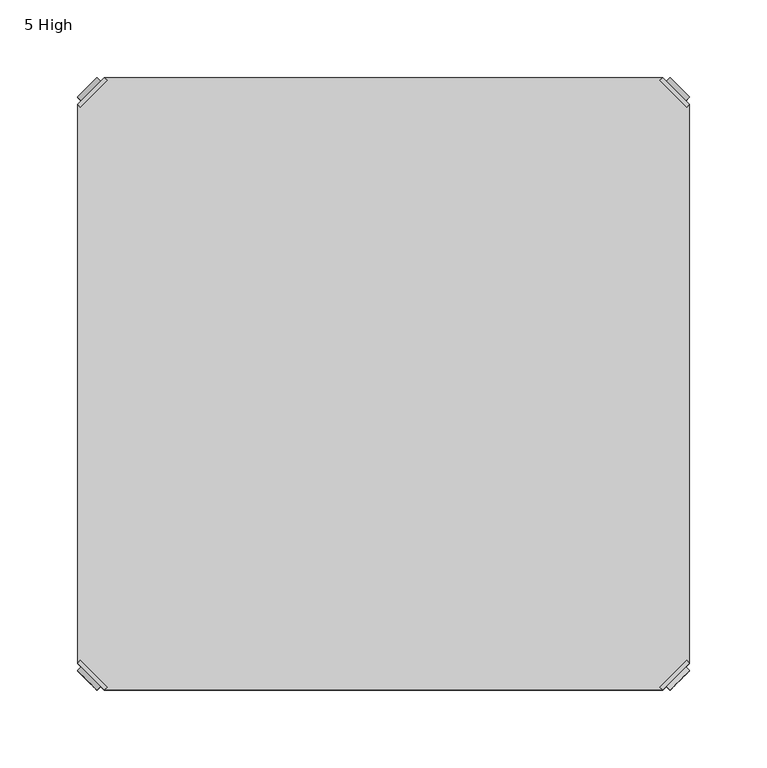
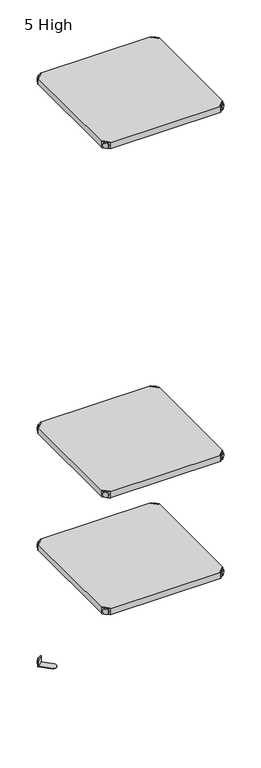
"""IFC4 building model written with IfcOpenShell, lengths in millimetres: furniture geometry, 5 High."""

from ifc_helpers import new_model, si_unit, frame, origin, place, context, project, spatial, polyline, circle_curve, outline, extrude, source, transform, mapped, element, save
from ifc_brep_helpers import plane_surface, cylinder_surface, advanced_brep


def furniture_5_high_99344eae(model_context):
    return source(origin(), model_context, "Body", "SolidModel", [
        advanced_brep(
        [(2.54, 380.2870969, 923.29), (4.3360512, 378.4910456, 923.29), (21.5589544, 395.7139488, 923.29), (19.7629031, 397.51, 923.29), (19.7629031, 397.51, 901.954), (2.54, 380.2870969, 901.954), (4.8652723, 382.6123691, 913.13), (17.4376309, 395.1847277, 913.13), (30.2920522, 352.5350447, 902.97), (47.5149553, 369.7579478, 902.97), (21.5589544, 395.7139488, 902.97), (4.3360512, 378.4910456, 902.97), (30.2920522, 352.5350447, 901.954), (47.5149553, 369.7579478, 901.954), (15.1227513, 397.4996073, 913.13), (2.5503927, 384.9272487, 913.13)],
        [
            (0, 1),
            (1, 2),
            (2, 3),
            (3, 0),
            (3, 4),
            (4, 5),
            (5, 0),
            (6, 7, circle_curve(frame((11.1514516, 388.8985484, 913.13), z_axis=(0.7071067811865446, -0.7071067811865505, 0.0), x_axis=(-0.7071067811865505, -0.7071067811865446, 0.0)), 8.89)),
            (7, 6, circle_curve(frame((11.1514516, 388.8985484, 913.13), z_axis=(0.7071067811865446, -0.7071067811865505, 0.0), x_axis=(-0.7071067811865505, -0.7071067811865446, 0.0)), 8.89)),
            (8, 9, circle_curve(frame((38.9035037, 361.1464963, 902.97), z_axis=(0.0, 0.0, 1.0), x_axis=(1.0, 0.0, 0.0)), 12.1784316)),
            (9, 10),
            (10, 11),
            (11, 8),
            (12, 5),
            (4, 13),
            (13, 12, circle_curve(frame((38.9035037, 361.1464963, 901.954), z_axis=(0.0, 0.0, -1.0), x_axis=(1.0, 0.0, 0.0)), 12.1784316)),
            (14, 15, circle_curve(frame((8.836572, 391.213428, 913.13), z_axis=(-0.7071067811865446, 0.7071067811865505, 0.0), x_axis=(-0.7071067811865505, -0.7071067811865446, 0.0)), 8.89)),
            (15, 14, circle_curve(frame((8.836572, 391.213428, 913.13), z_axis=(-0.7071067811865446, 0.7071067811865505, 0.0), x_axis=(-0.7071067811865505, -0.7071067811865446, 0.0)), 8.89)),
            (14, 7),
            (6, 15),
            (1, 11),
            (10, 2),
            (8, 12),
            (13, 9),
        ],
        [
            plane_surface(frame((-19.6579872, 402.485084, 923.29), z_axis=(0.0, 0.0, 1.0000000000000002), x_axis=(0.7071067811865436, -0.7071067811865516, 0.0))),
            plane_surface(frame((19.7629031, 397.51, 923.29), z_axis=(-0.7071067811865447, 0.7071067811865503, 0.0), x_axis=(0.0, 0.0, -1.0))),
            plane_surface(frame((51.0819353, 361.1464963, 902.97), z_axis=(0.0, 0.0, 1.0), x_axis=(0.0, 1.0, 0.0))),
            plane_surface(frame((51.0819353, 361.1464963, 901.954), z_axis=(0.0, 0.0, -1.0), x_axis=(0.0, -1.0, 0.0))),
            plane_surface(frame((2.5503927, 384.9272487, 913.13), z_axis=(-0.7071067811865446, 0.7071067811865505, 0.0), x_axis=(0.0, 0.0, 1.0))),
            cylinder_surface(frame((11.1514516, 388.8985484, 913.13), z_axis=(-0.7071067811865446, 0.7071067811865505, 0.0), x_axis=(-0.7071067811865505, -0.7071067811865446, 0.0)), 8.89),
            plane_surface(frame((4.3360512, 378.4910456, 923.29), z_axis=(0.7071067811865447, -0.7071067811865503, 0.0), x_axis=(0.0, 0.0, -1.0))),
            cylinder_surface(frame((38.9035037, 361.1464963, 901.954), z_axis=(0.0, 0.0, 1.0), x_axis=(1.0, 0.0, 0.0)), 12.1784316),
            plane_surface(frame((2.54, 380.2870969, 923.29), z_axis=(-0.7071067811865516, -0.7071067811865436, 0.0), x_axis=(0.0, 0.0, -1.0))),
            plane_surface(frame((21.5589544, 395.7139488, 923.29), z_axis=(0.7071067811865513, 0.7071067811865437, 0.0), x_axis=(0.0, 0.0, -1.0))),
        ],
        [
            (0, [[1, 2, 3, 4]]),
            (1, [[-4, 5, 6, 7], [8, 9]]),
            (2, [[10, 11, 12, 13]]),
            (3, [[14, -6, 15, 16]]),
            (4, [[17, 18]]),
            (5, [[-17, 19, -8, 20]]),
            (5, [[-18, -20, -9, -19]]),
            (6, [[-2, 21, -12, 22]]),
            (7, [[-10, 23, -16, 24]]),
            (8, [[-1, -7, -14, -23, -13, -21]]),
            (9, [[-3, -22, -11, -24, -15, -5]]),
        ],
    ),
        advanced_brep(
        [(397.51, 380.2870969, 923.29), (380.2870969, 397.51, 923.29), (378.4910456, 395.7139488, 923.29), (395.7139488, 378.4910456, 923.29), (397.51, 380.2870969, 901.954), (380.2870969, 397.51, 901.954), (395.1847277, 382.6123691, 913.13), (382.6123691, 395.1847277, 913.13), (369.7579478, 352.5350447, 902.97), (395.7139488, 378.4910456, 902.97), (378.4910456, 395.7139488, 902.97), (352.5350447, 369.7579478, 902.97), (369.7579478, 352.5350447, 901.954), (352.5350447, 369.7579478, 901.954), (384.9272487, 397.4996073, 913.13), (397.4996073, 384.9272487, 913.13)],
        [
            (0, 1),
            (1, 2),
            (2, 3),
            (3, 0),
            (0, 4),
            (4, 5),
            (5, 1),
            (6, 7, circle_curve(frame((388.8985484, 388.8985484, 913.13), z_axis=(-0.7071067811865446, -0.7071067811865505, 0.0), x_axis=(0.7071067811865505, -0.7071067811865446, 0.0)), 8.89)),
            (7, 6, circle_curve(frame((388.8985484, 388.8985484, 913.13), z_axis=(-0.7071067811865446, -0.7071067811865505, 0.0), x_axis=(0.7071067811865505, -0.7071067811865446, 0.0)), 8.89)),
            (8, 9),
            (9, 10),
            (10, 11),
            (11, 8, circle_curve(frame((361.1464963, 361.1464963, 902.97), z_axis=(0.0, 0.0, 1.0), x_axis=(-1.0, 0.0, 0.0)), 12.1784316)),
            (12, 13, circle_curve(frame((361.1464963, 361.1464963, 901.954), z_axis=(0.0, 0.0, -1.0), x_axis=(-1.0, 0.0, 0.0)), 12.1784316)),
            (13, 5),
            (4, 12),
            (14, 15, circle_curve(frame((391.213428, 391.213428, 913.13), z_axis=(0.7071067811865446, 0.7071067811865505, 0.0), x_axis=(0.7071067811865505, -0.7071067811865446, 0.0)), 8.89)),
            (15, 14, circle_curve(frame((391.213428, 391.213428, 913.13), z_axis=(0.7071067811865446, 0.7071067811865505, 0.0), x_axis=(0.7071067811865505, -0.7071067811865446, 0.0)), 8.89)),
            (15, 6),
            (7, 14),
            (2, 10),
            (9, 3),
            (11, 13),
            (12, 8),
        ],
        [
            plane_surface(frame((419.7079872, 402.485084, 923.29), z_axis=(0.0, 0.0, 1.0000000000000002), x_axis=(-0.7071067811865436, -0.7071067811865516, 0.0))),
            plane_surface(frame((380.2870969, 397.51, 923.29), z_axis=(0.7071067811865447, 0.7071067811865503, 0.0), x_axis=(0.0, 0.0, -1.0))),
            plane_surface(frame((348.9680647, 361.1464963, 902.97), z_axis=(0.0, 0.0, 1.0), x_axis=(0.0, 1.0, 0.0))),
            plane_surface(frame((348.9680647, 361.1464963, 901.954), z_axis=(0.0, 0.0, -1.0), x_axis=(0.0, -1.0, 0.0))),
            plane_surface(frame((397.4996073, 384.9272487, 913.13), z_axis=(0.7071067811865446, 0.7071067811865505, 0.0), x_axis=(0.0, 0.0, 1.0))),
            cylinder_surface(frame((388.8985484, 388.8985484, 913.13), z_axis=(0.7071067811865446, 0.7071067811865505, 0.0), x_axis=(0.7071067811865505, -0.7071067811865446, 0.0)), 8.89),
            plane_surface(frame((395.7139488, 378.4910456, 923.29), z_axis=(-0.7071067811865447, -0.7071067811865503, 0.0), x_axis=(0.0, 0.0, -1.0))),
            cylinder_surface(frame((361.1464963, 361.1464963, 901.954), z_axis=(0.0, 0.0, 1.0), x_axis=(-1.0, 0.0, 0.0)), 12.1784316),
            plane_surface(frame((397.51, 380.2870969, 923.29), z_axis=(0.7071067811865516, -0.7071067811865436, 0.0), x_axis=(0.0, 0.0, -1.0))),
            plane_surface(frame((378.4910456, 395.7139488, 923.29), z_axis=(-0.7071067811865513, 0.7071067811865437, 0.0), x_axis=(0.0, 0.0, -1.0))),
        ],
        [
            (0, [[1, 2, 3, 4]]),
            (1, [[5, 6, 7, -1], [8, 9]]),
            (2, [[10, 11, 12, 13]]),
            (3, [[14, 15, -6, 16]]),
            (4, [[17, 18]]),
            (5, [[19, -9, 20, -18]]),
            (5, [[-20, -8, -19, -17]]),
            (6, [[21, -11, 22, -3]]),
            (7, [[23, -14, 24, -13]]),
            (8, [[-22, -10, -24, -16, -5, -4]]),
            (9, [[-7, -15, -23, -12, -21, -2]]),
        ],
    ),
        advanced_brep(
        [(397.51, 19.7629031, 923.29), (395.7139488, 21.5589544, 923.29), (378.4910456, 4.3360512, 923.29), (380.2870969, 2.54, 923.29), (380.2870969, 2.54, 901.954), (397.51, 19.7629031, 901.954), (395.1847277, 17.4376309, 913.13), (382.6123691, 4.8652723, 913.13), (369.7579478, 47.5149553, 902.97), (352.5350447, 30.2920522, 902.97), (378.4910456, 4.3360512, 902.97), (395.7139488, 21.5589544, 902.97), (369.7579478, 47.5149553, 901.954), (352.5350447, 30.2920522, 901.954), (384.9272487, 2.5503927, 913.13), (397.4996073, 15.1227513, 913.13)],
        [
            (0, 1),
            (1, 2),
            (2, 3),
            (3, 0),
            (3, 4),
            (4, 5),
            (5, 0),
            (6, 7, circle_curve(frame((388.8985484, 11.1514516, 913.13), z_axis=(-0.7071067811865469, 0.7071067811865481, 0.0), x_axis=(0.7071067811865481, 0.7071067811865469, 0.0)), 8.89)),
            (7, 6, circle_curve(frame((388.8985484, 11.1514516, 913.13), z_axis=(-0.7071067811865469, 0.7071067811865481, 0.0), x_axis=(0.7071067811865481, 0.7071067811865469, 0.0)), 8.89)),
            (8, 9, circle_curve(frame((361.1464963, 38.9035037, 902.97), z_axis=(0.0, 0.0, 1.0), x_axis=(-1.0, 0.0, 0.0)), 12.1784316)),
            (9, 10),
            (10, 11),
            (11, 8),
            (12, 5),
            (4, 13),
            (13, 12, circle_curve(frame((361.1464963, 38.9035037, 901.954), z_axis=(0.0, 0.0, -1.0), x_axis=(-1.0, 0.0, 0.0)), 12.1784316)),
            (14, 15, circle_curve(frame((391.213428, 8.836572, 913.13), z_axis=(0.7071067811865469, -0.7071067811865481, 0.0), x_axis=(0.7071067811865481, 0.7071067811865469, 0.0)), 8.89)),
            (15, 14, circle_curve(frame((391.213428, 8.836572, 913.13), z_axis=(0.7071067811865469, -0.7071067811865481, 0.0), x_axis=(0.7071067811865481, 0.7071067811865469, 0.0)), 8.89)),
            (14, 7),
            (6, 15),
            (1, 11),
            (10, 2),
            (8, 12),
            (13, 9),
        ],
        [
            plane_surface(frame((419.7079872, -2.435084, 923.29), z_axis=(0.0, 0.0, 1.0000000000000002), x_axis=(-0.7071067811865459, 0.7071067811865492, 0.0))),
            plane_surface(frame((380.2870969, 2.54, 923.29), z_axis=(0.707106781186547, -0.707106781186548, 0.0), x_axis=(0.0, 0.0, -1.0))),
            plane_surface(frame((348.9680647, 38.9035037, 902.97), z_axis=(0.0, 0.0, 1.0), x_axis=(0.0, -1.0, 0.0))),
            plane_surface(frame((348.9680647, 38.9035037, 901.954), z_axis=(0.0, 0.0, -1.0), x_axis=(0.0, 1.0, 0.0))),
            plane_surface(frame((397.4996073, 15.1227513, 913.13), z_axis=(0.7071067811865469, -0.7071067811865481, 0.0), x_axis=(0.0, 0.0, 1.0))),
            cylinder_surface(frame((388.8985484, 11.1514516, 913.13), z_axis=(0.7071067811865469, -0.7071067811865481, 0.0), x_axis=(0.7071067811865481, 0.7071067811865469, 0.0)), 8.89),
            plane_surface(frame((395.7139488, 21.5589544, 923.29), z_axis=(-0.707106781186547, 0.707106781186548, 0.0), x_axis=(0.0, 0.0, -1.0))),
            cylinder_surface(frame((361.1464963, 38.9035037, 901.954), z_axis=(0.0, 0.0, 1.0), x_axis=(-1.0, 0.0, 0.0)), 12.1784316),
            plane_surface(frame((397.51, 19.7629031, 923.29), z_axis=(0.7071067811865492, 0.7071067811865459, 0.0), x_axis=(0.0, 0.0, -1.0))),
            plane_surface(frame((378.4910456, 4.3360512, 923.29), z_axis=(-0.707106781186549, -0.707106781186546, 0.0), x_axis=(0.0, 0.0, -1.0))),
        ],
        [
            (0, [[1, 2, 3, 4]]),
            (1, [[-4, 5, 6, 7], [8, 9]]),
            (2, [[10, 11, 12, 13]]),
            (3, [[14, -6, 15, 16]]),
            (4, [[17, 18]]),
            (5, [[-17, 19, -8, 20]]),
            (5, [[-18, -20, -9, -19]]),
            (6, [[-2, 21, -12, 22]]),
            (7, [[-10, 23, -16, 24]]),
            (8, [[-1, -7, -14, -23, -13, -21]]),
            (9, [[-3, -22, -11, -24, -15, -5]]),
        ],
    ),
        advanced_brep(
        [(2.54, 19.7629031, 923.29), (19.7629031, 2.54, 923.29), (21.5589544, 4.3360512, 923.29), (4.3360512, 21.5589544, 923.29), (2.54, 19.7629031, 901.954), (19.7629031, 2.54, 901.954), (4.8652723, 17.4376309, 913.13), (17.4376309, 4.8652723, 913.13), (30.2920522, 47.5149553, 902.97), (4.3360512, 21.5589544, 902.97), (21.5589544, 4.3360512, 902.97), (47.5149553, 30.2920522, 902.97), (30.2920522, 47.5149553, 901.954), (47.5149553, 30.2920522, 901.954), (15.1227513, 2.5503927, 913.13), (2.5503927, 15.1227513, 913.13)],
        [
            (0, 1),
            (1, 2),
            (2, 3),
            (3, 0),
            (0, 4),
            (4, 5),
            (5, 1),
            (6, 7, circle_curve(frame((11.1514516, 11.1514516, 913.13), z_axis=(0.7071067811865469, 0.7071067811865481, 0.0), x_axis=(-0.7071067811865481, 0.7071067811865469, 0.0)), 8.89)),
            (7, 6, circle_curve(frame((11.1514516, 11.1514516, 913.13), z_axis=(0.7071067811865469, 0.7071067811865481, 0.0), x_axis=(-0.7071067811865481, 0.7071067811865469, 0.0)), 8.89)),
            (8, 9),
            (9, 10),
            (10, 11),
            (11, 8, circle_curve(frame((38.9035037, 38.9035037, 902.97), z_axis=(0.0, 0.0, 1.0), x_axis=(1.0, 0.0, 0.0)), 12.1784316)),
            (12, 13, circle_curve(frame((38.9035037, 38.9035037, 901.954), z_axis=(0.0, 0.0, -1.0), x_axis=(1.0, 0.0, 0.0)), 12.1784316)),
            (13, 5),
            (4, 12),
            (14, 15, circle_curve(frame((8.836572, 8.836572, 913.13), z_axis=(-0.7071067811865469, -0.7071067811865481, 0.0), x_axis=(-0.7071067811865481, 0.7071067811865469, 0.0)), 8.89)),
            (15, 14, circle_curve(frame((8.836572, 8.836572, 913.13), z_axis=(-0.7071067811865469, -0.7071067811865481, 0.0), x_axis=(-0.7071067811865481, 0.7071067811865469, 0.0)), 8.89)),
            (15, 6),
            (7, 14),
            (2, 10),
            (9, 3),
            (11, 13),
            (12, 8),
        ],
        [
            plane_surface(frame((-19.6579872, -2.435084, 923.29), z_axis=(0.0, 0.0, 1.0000000000000002), x_axis=(0.7071067811865459, 0.7071067811865492, 0.0))),
            plane_surface(frame((19.7629031, 2.54, 923.29), z_axis=(-0.707106781186547, -0.707106781186548, 0.0), x_axis=(0.0, 0.0, -1.0))),
            plane_surface(frame((51.0819353, 38.9035037, 902.97), z_axis=(0.0, 0.0, 1.0), x_axis=(0.0, -1.0, 0.0))),
            plane_surface(frame((51.0819353, 38.9035037, 901.954), z_axis=(0.0, 0.0, -1.0), x_axis=(0.0, 1.0, 0.0))),
            plane_surface(frame((2.5503927, 15.1227513, 913.13), z_axis=(-0.7071067811865469, -0.7071067811865481, 0.0), x_axis=(0.0, 0.0, 1.0))),
            cylinder_surface(frame((11.1514516, 11.1514516, 913.13), z_axis=(-0.7071067811865469, -0.7071067811865481, 0.0), x_axis=(-0.7071067811865481, 0.7071067811865469, 0.0)), 8.89),
            plane_surface(frame((4.3360512, 21.5589544, 923.29), z_axis=(0.707106781186547, 0.707106781186548, 0.0), x_axis=(0.0, 0.0, -1.0))),
            cylinder_surface(frame((38.9035037, 38.9035037, 901.954), z_axis=(0.0, 0.0, 1.0), x_axis=(1.0, 0.0, 0.0)), 12.1784316),
            plane_surface(frame((2.54, 19.7629031, 923.29), z_axis=(-0.7071067811865492, 0.7071067811865459, 0.0), x_axis=(0.0, 0.0, -1.0))),
            plane_surface(frame((21.5589544, 4.3360512, 923.29), z_axis=(0.707106781186549, -0.707106781186546, 0.0), x_axis=(0.0, 0.0, -1.0))),
        ],
        [
            (0, [[1, 2, 3, 4]]),
            (1, [[5, 6, 7, -1], [8, 9]]),
            (2, [[10, 11, 12, 13]]),
            (3, [[14, 15, -6, 16]]),
            (4, [[17, 18]]),
            (5, [[19, -9, 20, -18]]),
            (5, [[-20, -8, -19, -17]]),
            (6, [[21, -11, 22, -3]]),
            (7, [[23, -14, 24, -13]]),
            (8, [[-22, -10, -24, -16, -5, -4]]),
            (9, [[-7, -15, -23, -12, -21, -2]]),
        ],
    ),
        extrude(outline(polyline([(19.7629031, 2.54), (21.5589544, 4.3360512), (4.3360512, 21.5589544), (2.54, 19.7629031), (2.54, 380.2870969), (4.3360512, 378.4910456), (21.5589544, 395.7139488), (19.7629031, 397.51), (380.2870969, 397.51), (378.4910456, 395.7139488), (395.7139488, 378.4910456), (397.51, 380.2870969), (397.51, 19.7629031), (395.7139488, 21.5589544), (378.4910456, 4.3360512), (380.2870969, 2.54), (19.7629031, 2.54)])), frame((0.0, 0.0, 902.97), z_axis=(0.0, 0.0, 1.0), x_axis=(1.0, 0.0, 0.0)), (0.0, 0.0, 1.0), 20.32),
        advanced_brep(
        [(2.54, 380.2870969, 520.2936), (4.3360512, 378.4910456, 520.2936), (21.5589544, 395.7139488, 520.2936), (19.7629031, 397.51, 520.2936), (19.7629031, 397.51, 498.9576), (2.54, 380.2870969, 498.9576), (4.8652723, 382.6123691, 510.1336), (17.4376309, 395.1847277, 510.1336), (30.2920522, 352.5350447, 499.9736), (47.5149553, 369.7579478, 499.9736), (21.5589544, 395.7139488, 499.9736), (4.3360512, 378.4910456, 499.9736), (30.2920522, 352.5350447, 498.9576), (47.5149553, 369.7579478, 498.9576), (15.1227513, 397.4996073, 510.1336), (2.5503927, 384.9272487, 510.1336)],
        [
            (0, 1),
            (1, 2),
            (2, 3),
            (3, 0),
            (3, 4),
            (4, 5),
            (5, 0),
            (6, 7, circle_curve(frame((11.1514516, 388.8985484, 510.1336), z_axis=(0.7071067811865446, -0.7071067811865505, 0.0), x_axis=(-0.7071067811865505, -0.7071067811865446, 0.0)), 8.89)),
            (7, 6, circle_curve(frame((11.1514516, 388.8985484, 510.1336), z_axis=(0.7071067811865446, -0.7071067811865505, 0.0), x_axis=(-0.7071067811865505, -0.7071067811865446, 0.0)), 8.89)),
            (8, 9, circle_curve(frame((38.9035037, 361.1464963, 499.9736), z_axis=(0.0, 0.0, 1.0), x_axis=(1.0, 0.0, 0.0)), 12.1784316)),
            (9, 10),
            (10, 11),
            (11, 8),
            (12, 5),
            (4, 13),
            (13, 12, circle_curve(frame((38.9035037, 361.1464963, 498.9576), z_axis=(0.0, 0.0, -1.0), x_axis=(1.0, 0.0, 0.0)), 12.1784316)),
            (14, 15, circle_curve(frame((8.836572, 391.213428, 510.1336), z_axis=(-0.7071067811865446, 0.7071067811865505, 0.0), x_axis=(-0.7071067811865505, -0.7071067811865446, 0.0)), 8.89)),
            (15, 14, circle_curve(frame((8.836572, 391.213428, 510.1336), z_axis=(-0.7071067811865446, 0.7071067811865505, 0.0), x_axis=(-0.7071067811865505, -0.7071067811865446, 0.0)), 8.89)),
            (14, 7),
            (6, 15),
            (1, 11),
            (10, 2),
            (8, 12),
            (13, 9),
        ],
        [
            plane_surface(frame((-19.6579872, 402.485084, 520.2936), z_axis=(0.0, 0.0, 1.0000000000000002), x_axis=(0.7071067811865436, -0.7071067811865516, 0.0))),
            plane_surface(frame((19.7629031, 397.51, 520.2936), z_axis=(-0.7071067811865447, 0.7071067811865503, 0.0), x_axis=(0.0, 0.0, -1.0))),
            plane_surface(frame((51.0819353, 361.1464963, 499.9736), z_axis=(0.0, 0.0, 1.0), x_axis=(0.0, 1.0, 0.0))),
            plane_surface(frame((51.0819353, 361.1464963, 498.9576), z_axis=(0.0, 0.0, -1.0), x_axis=(0.0, -1.0, 0.0))),
            plane_surface(frame((2.5503927, 384.9272487, 510.1336), z_axis=(-0.7071067811865446, 0.7071067811865505, 0.0), x_axis=(0.0, 0.0, 1.0))),
            cylinder_surface(frame((11.1514516, 388.8985484, 510.1336), z_axis=(-0.7071067811865446, 0.7071067811865505, 0.0), x_axis=(-0.7071067811865505, -0.7071067811865446, 0.0)), 8.89),
            plane_surface(frame((4.3360512, 378.4910456, 520.2936), z_axis=(0.7071067811865447, -0.7071067811865503, 0.0), x_axis=(0.0, 0.0, -1.0))),
            cylinder_surface(frame((38.9035037, 361.1464963, 498.9576), z_axis=(0.0, 0.0, 1.0), x_axis=(1.0, 0.0, 0.0)), 12.1784316),
            plane_surface(frame((2.54, 380.2870969, 520.2936), z_axis=(-0.7071067811865516, -0.7071067811865436, 0.0), x_axis=(0.0, 0.0, -1.0))),
            plane_surface(frame((21.5589544, 395.7139488, 520.2936), z_axis=(0.7071067811865513, 0.7071067811865437, 0.0), x_axis=(0.0, 0.0, -1.0))),
        ],
        [
            (0, [[1, 2, 3, 4]]),
            (1, [[-4, 5, 6, 7], [8, 9]]),
            (2, [[10, 11, 12, 13]]),
            (3, [[14, -6, 15, 16]]),
            (4, [[17, 18]]),
            (5, [[-17, 19, -8, 20]]),
            (5, [[-18, -20, -9, -19]]),
            (6, [[-2, 21, -12, 22]]),
            (7, [[-10, 23, -16, 24]]),
            (8, [[-1, -7, -14, -23, -13, -21]]),
            (9, [[-3, -22, -11, -24, -15, -5]]),
        ],
    ),
        advanced_brep(
        [(397.51, 380.2870969, 520.2936), (380.2870969, 397.51, 520.2936), (378.4910456, 395.7139488, 520.2936), (395.7139488, 378.4910456, 520.2936), (397.51, 380.2870969, 498.9576), (380.2870969, 397.51, 498.9576), (395.1847277, 382.6123691, 510.1336), (382.6123691, 395.1847277, 510.1336), (369.7579478, 352.5350447, 499.9736), (395.7139488, 378.4910456, 499.9736), (378.4910456, 395.7139488, 499.9736), (352.5350447, 369.7579478, 499.9736), (369.7579478, 352.5350447, 498.9576), (352.5350447, 369.7579478, 498.9576), (384.9272487, 397.4996073, 510.1336), (397.4996073, 384.9272487, 510.1336)],
        [
            (0, 1),
            (1, 2),
            (2, 3),
            (3, 0),
            (0, 4),
            (4, 5),
            (5, 1),
            (6, 7, circle_curve(frame((388.8985484, 388.8985484, 510.1336), z_axis=(-0.7071067811865446, -0.7071067811865505, 0.0), x_axis=(0.7071067811865505, -0.7071067811865446, 0.0)), 8.89)),
            (7, 6, circle_curve(frame((388.8985484, 388.8985484, 510.1336), z_axis=(-0.7071067811865446, -0.7071067811865505, 0.0), x_axis=(0.7071067811865505, -0.7071067811865446, 0.0)), 8.89)),
            (8, 9),
            (9, 10),
            (10, 11),
            (11, 8, circle_curve(frame((361.1464963, 361.1464963, 499.9736), z_axis=(0.0, 0.0, 1.0), x_axis=(-1.0, 0.0, 0.0)), 12.1784316)),
            (12, 13, circle_curve(frame((361.1464963, 361.1464963, 498.9576), z_axis=(0.0, 0.0, -1.0), x_axis=(-1.0, 0.0, 0.0)), 12.1784316)),
            (13, 5),
            (4, 12),
            (14, 15, circle_curve(frame((391.213428, 391.213428, 510.1336), z_axis=(0.7071067811865446, 0.7071067811865505, 0.0), x_axis=(0.7071067811865505, -0.7071067811865446, 0.0)), 8.89)),
            (15, 14, circle_curve(frame((391.213428, 391.213428, 510.1336), z_axis=(0.7071067811865446, 0.7071067811865505, 0.0), x_axis=(0.7071067811865505, -0.7071067811865446, 0.0)), 8.89)),
            (15, 6),
            (7, 14),
            (2, 10),
            (9, 3),
            (11, 13),
            (12, 8),
        ],
        [
            plane_surface(frame((419.7079872, 402.485084, 520.2936), z_axis=(0.0, 0.0, 1.0000000000000002), x_axis=(-0.7071067811865436, -0.7071067811865516, 0.0))),
            plane_surface(frame((380.2870969, 397.51, 520.2936), z_axis=(0.7071067811865447, 0.7071067811865503, 0.0), x_axis=(0.0, 0.0, -1.0))),
            plane_surface(frame((348.9680647, 361.1464963, 499.9736), z_axis=(0.0, 0.0, 1.0), x_axis=(0.0, 1.0, 0.0))),
            plane_surface(frame((348.9680647, 361.1464963, 498.9576), z_axis=(0.0, 0.0, -1.0), x_axis=(0.0, -1.0, 0.0))),
            plane_surface(frame((397.4996073, 384.9272487, 510.1336), z_axis=(0.7071067811865446, 0.7071067811865505, 0.0), x_axis=(0.0, 0.0, 1.0))),
            cylinder_surface(frame((388.8985484, 388.8985484, 510.1336), z_axis=(0.7071067811865446, 0.7071067811865505, 0.0), x_axis=(0.7071067811865505, -0.7071067811865446, 0.0)), 8.89),
            plane_surface(frame((395.7139488, 378.4910456, 520.2936), z_axis=(-0.7071067811865447, -0.7071067811865503, 0.0), x_axis=(0.0, 0.0, -1.0))),
            cylinder_surface(frame((361.1464963, 361.1464963, 498.9576), z_axis=(0.0, 0.0, 1.0), x_axis=(-1.0, 0.0, 0.0)), 12.1784316),
            plane_surface(frame((397.51, 380.2870969, 520.2936), z_axis=(0.7071067811865516, -0.7071067811865436, 0.0), x_axis=(0.0, 0.0, -1.0))),
            plane_surface(frame((378.4910456, 395.7139488, 520.2936), z_axis=(-0.7071067811865513, 0.7071067811865437, 0.0), x_axis=(0.0, 0.0, -1.0))),
        ],
        [
            (0, [[1, 2, 3, 4]]),
            (1, [[5, 6, 7, -1], [8, 9]]),
            (2, [[10, 11, 12, 13]]),
            (3, [[14, 15, -6, 16]]),
            (4, [[17, 18]]),
            (5, [[19, -9, 20, -18]]),
            (5, [[-20, -8, -19, -17]]),
            (6, [[21, -11, 22, -3]]),
            (7, [[23, -14, 24, -13]]),
            (8, [[-22, -10, -24, -16, -5, -4]]),
            (9, [[-7, -15, -23, -12, -21, -2]]),
        ],
    ),
        advanced_brep(
        [(397.51, 19.7629031, 520.2936), (395.7139488, 21.5589544, 520.2936), (378.4910456, 4.3360512, 520.2936), (380.2870969, 2.54, 520.2936), (380.2870969, 2.54, 498.9576), (397.51, 19.7629031, 498.9576), (395.1847277, 17.4376309, 510.1336), (382.6123691, 4.8652723, 510.1336), (369.7579478, 47.5149553, 499.9736), (352.5350447, 30.2920522, 499.9736), (378.4910456, 4.3360512, 499.9736), (395.7139488, 21.5589544, 499.9736), (369.7579478, 47.5149553, 498.9576), (352.5350447, 30.2920522, 498.9576), (384.9272487, 2.5503927, 510.1336), (397.4996073, 15.1227513, 510.1336)],
        [
            (0, 1),
            (1, 2),
            (2, 3),
            (3, 0),
            (3, 4),
            (4, 5),
            (5, 0),
            (6, 7, circle_curve(frame((388.8985484, 11.1514516, 510.1336), z_axis=(-0.7071067811865469, 0.7071067811865481, 0.0), x_axis=(0.7071067811865481, 0.7071067811865469, 0.0)), 8.89)),
            (7, 6, circle_curve(frame((388.8985484, 11.1514516, 510.1336), z_axis=(-0.7071067811865469, 0.7071067811865481, 0.0), x_axis=(0.7071067811865481, 0.7071067811865469, 0.0)), 8.89)),
            (8, 9, circle_curve(frame((361.1464963, 38.9035037, 499.9736), z_axis=(0.0, 0.0, 1.0), x_axis=(-1.0, 0.0, 0.0)), 12.1784316)),
            (9, 10),
            (10, 11),
            (11, 8),
            (12, 5),
            (4, 13),
            (13, 12, circle_curve(frame((361.1464963, 38.9035037, 498.9576), z_axis=(0.0, 0.0, -1.0), x_axis=(-1.0, 0.0, 0.0)), 12.1784316)),
            (14, 15, circle_curve(frame((391.213428, 8.836572, 510.1336), z_axis=(0.7071067811865469, -0.7071067811865481, 0.0), x_axis=(0.7071067811865481, 0.7071067811865469, 0.0)), 8.89)),
            (15, 14, circle_curve(frame((391.213428, 8.836572, 510.1336), z_axis=(0.7071067811865469, -0.7071067811865481, 0.0), x_axis=(0.7071067811865481, 0.7071067811865469, 0.0)), 8.89)),
            (14, 7),
            (6, 15),
            (1, 11),
            (10, 2),
            (8, 12),
            (13, 9),
        ],
        [
            plane_surface(frame((419.7079872, -2.435084, 520.2936), z_axis=(0.0, 0.0, 1.0000000000000002), x_axis=(-0.7071067811865459, 0.7071067811865492, 0.0))),
            plane_surface(frame((380.2870969, 2.54, 520.2936), z_axis=(0.707106781186547, -0.707106781186548, 0.0), x_axis=(0.0, 0.0, -1.0))),
            plane_surface(frame((348.9680647, 38.9035037, 499.9736), z_axis=(0.0, 0.0, 1.0), x_axis=(0.0, -1.0, 0.0))),
            plane_surface(frame((348.9680647, 38.9035037, 498.9576), z_axis=(0.0, 0.0, -1.0), x_axis=(0.0, 1.0, 0.0))),
            plane_surface(frame((397.4996073, 15.1227513, 510.1336), z_axis=(0.7071067811865469, -0.7071067811865481, 0.0), x_axis=(0.0, 0.0, 1.0))),
            cylinder_surface(frame((388.8985484, 11.1514516, 510.1336), z_axis=(0.7071067811865469, -0.7071067811865481, 0.0), x_axis=(0.7071067811865481, 0.7071067811865469, 0.0)), 8.89),
            plane_surface(frame((395.7139488, 21.5589544, 520.2936), z_axis=(-0.707106781186547, 0.707106781186548, 0.0), x_axis=(0.0, 0.0, -1.0))),
            cylinder_surface(frame((361.1464963, 38.9035037, 498.9576), z_axis=(0.0, 0.0, 1.0), x_axis=(-1.0, 0.0, 0.0)), 12.1784316),
            plane_surface(frame((397.51, 19.7629031, 520.2936), z_axis=(0.7071067811865492, 0.7071067811865459, 0.0), x_axis=(0.0, 0.0, -1.0))),
            plane_surface(frame((378.4910456, 4.3360512, 520.2936), z_axis=(-0.707106781186549, -0.707106781186546, 0.0), x_axis=(0.0, 0.0, -1.0))),
        ],
        [
            (0, [[1, 2, 3, 4]]),
            (1, [[-4, 5, 6, 7], [8, 9]]),
            (2, [[10, 11, 12, 13]]),
            (3, [[14, -6, 15, 16]]),
            (4, [[17, 18]]),
            (5, [[-17, 19, -8, 20]]),
            (5, [[-18, -20, -9, -19]]),
            (6, [[-2, 21, -12, 22]]),
            (7, [[-10, 23, -16, 24]]),
            (8, [[-1, -7, -14, -23, -13, -21]]),
            (9, [[-3, -22, -11, -24, -15, -5]]),
        ],
    ),
        advanced_brep(
        [(2.54, 19.7629031, 520.2936), (19.7629031, 2.54, 520.2936), (21.5589544, 4.3360512, 520.2936), (4.3360512, 21.5589544, 520.2936), (2.54, 19.7629031, 498.9576), (19.7629031, 2.54, 498.9576), (4.8652723, 17.4376309, 510.1336), (17.4376309, 4.8652723, 510.1336), (30.2920522, 47.5149553, 499.9736), (4.3360512, 21.5589544, 499.9736), (21.5589544, 4.3360512, 499.9736), (47.5149553, 30.2920522, 499.9736), (30.2920522, 47.5149553, 498.9576), (47.5149553, 30.2920522, 498.9576), (15.1227513, 2.5503927, 510.1336), (2.5503927, 15.1227513, 510.1336)],
        [
            (0, 1),
            (1, 2),
            (2, 3),
            (3, 0),
            (0, 4),
            (4, 5),
            (5, 1),
            (6, 7, circle_curve(frame((11.1514516, 11.1514516, 510.1336), z_axis=(0.7071067811865469, 0.7071067811865481, 0.0), x_axis=(-0.7071067811865481, 0.7071067811865469, 0.0)), 8.89)),
            (7, 6, circle_curve(frame((11.1514516, 11.1514516, 510.1336), z_axis=(0.7071067811865469, 0.7071067811865481, 0.0), x_axis=(-0.7071067811865481, 0.7071067811865469, 0.0)), 8.89)),
            (8, 9),
            (9, 10),
            (10, 11),
            (11, 8, circle_curve(frame((38.9035037, 38.9035037, 499.9736), z_axis=(0.0, 0.0, 1.0), x_axis=(1.0, 0.0, 0.0)), 12.1784316)),
            (12, 13, circle_curve(frame((38.9035037, 38.9035037, 498.9576), z_axis=(0.0, 0.0, -1.0), x_axis=(1.0, 0.0, 0.0)), 12.1784316)),
            (13, 5),
            (4, 12),
            (14, 15, circle_curve(frame((8.836572, 8.836572, 510.1336), z_axis=(-0.7071067811865469, -0.7071067811865481, 0.0), x_axis=(-0.7071067811865481, 0.7071067811865469, 0.0)), 8.89)),
            (15, 14, circle_curve(frame((8.836572, 8.836572, 510.1336), z_axis=(-0.7071067811865469, -0.7071067811865481, 0.0), x_axis=(-0.7071067811865481, 0.7071067811865469, 0.0)), 8.89)),
            (15, 6),
            (7, 14),
            (2, 10),
            (9, 3),
            (11, 13),
            (12, 8),
        ],
        [
            plane_surface(frame((-19.6579872, -2.435084, 520.2936), z_axis=(0.0, 0.0, 1.0000000000000002), x_axis=(0.7071067811865459, 0.7071067811865492, 0.0))),
            plane_surface(frame((19.7629031, 2.54, 520.2936), z_axis=(-0.707106781186547, -0.707106781186548, 0.0), x_axis=(0.0, 0.0, -1.0))),
            plane_surface(frame((51.0819353, 38.9035037, 499.9736), z_axis=(0.0, 0.0, 1.0), x_axis=(0.0, -1.0, 0.0))),
            plane_surface(frame((51.0819353, 38.9035037, 498.9576), z_axis=(0.0, 0.0, -1.0), x_axis=(0.0, 1.0, 0.0))),
            plane_surface(frame((2.5503927, 15.1227513, 510.1336), z_axis=(-0.7071067811865469, -0.7071067811865481, 0.0), x_axis=(0.0, 0.0, 1.0))),
            cylinder_surface(frame((11.1514516, 11.1514516, 510.1336), z_axis=(-0.7071067811865469, -0.7071067811865481, 0.0), x_axis=(-0.7071067811865481, 0.7071067811865469, 0.0)), 8.89),
            plane_surface(frame((4.3360512, 21.5589544, 520.2936), z_axis=(0.707106781186547, 0.707106781186548, 0.0), x_axis=(0.0, 0.0, -1.0))),
            cylinder_surface(frame((38.9035037, 38.9035037, 498.9576), z_axis=(0.0, 0.0, 1.0), x_axis=(1.0, 0.0, 0.0)), 12.1784316),
            plane_surface(frame((2.54, 19.7629031, 520.2936), z_axis=(-0.7071067811865492, 0.7071067811865459, 0.0), x_axis=(0.0, 0.0, -1.0))),
            plane_surface(frame((21.5589544, 4.3360512, 520.2936), z_axis=(0.707106781186549, -0.707106781186546, 0.0), x_axis=(0.0, 0.0, -1.0))),
        ],
        [
            (0, [[1, 2, 3, 4]]),
            (1, [[5, 6, 7, -1], [8, 9]]),
            (2, [[10, 11, 12, 13]]),
            (3, [[14, 15, -6, 16]]),
            (4, [[17, 18]]),
            (5, [[19, -9, 20, -18]]),
            (5, [[-20, -8, -19, -17]]),
            (6, [[21, -11, 22, -3]]),
            (7, [[23, -14, 24, -13]]),
            (8, [[-22, -10, -24, -16, -5, -4]]),
            (9, [[-7, -15, -23, -12, -21, -2]]),
        ],
    ),
        extrude(outline(polyline([(19.7629031, 2.54), (21.5589544, 4.3360512), (4.3360512, 21.5589544), (2.54, 19.7629031), (2.54, 380.2870969), (4.3360512, 378.4910456), (21.5589544, 395.7139488), (19.7629031, 397.51), (380.2870969, 397.51), (378.4910456, 395.7139488), (395.7139488, 378.4910456), (397.51, 380.2870969), (397.51, 19.7629031), (395.7139488, 21.5589544), (378.4910456, 4.3360512), (380.2870969, 2.54), (19.7629031, 2.54)])), frame((0.0, 0.0, 499.9736), z_axis=(0.0, 0.0, 1.0), x_axis=(1.0, 0.0, 0.0)), (0.0, 0.0, 1.0), 20.32),
        advanced_brep(
        [(2.54, 380.2870969, 2127.25), (4.3360512, 378.4910456, 2127.25), (21.5589544, 395.7139488, 2127.25), (19.7629031, 397.51, 2127.25), (19.7629031, 397.51, 2105.914), (2.54, 380.2870969, 2105.914), (4.8652723, 382.6123691, 2117.09), (17.4376309, 395.1847277, 2117.09), (30.2920522, 352.5350447, 2106.93), (47.5149553, 369.7579478, 2106.93), (21.5589544, 395.7139488, 2106.93), (4.3360512, 378.4910456, 2106.93), (30.2920522, 352.5350447, 2105.914), (47.5149553, 369.7579478, 2105.914), (15.1227513, 397.4996073, 2117.09), (2.5503927, 384.9272487, 2117.09)],
        [
            (0, 1),
            (1, 2),
            (2, 3),
            (3, 0),
            (3, 4),
            (4, 5),
            (5, 0),
            (6, 7, circle_curve(frame((11.1514516, 388.8985484, 2117.09), z_axis=(0.7071067811865446, -0.7071067811865505, 0.0), x_axis=(-0.7071067811865505, -0.7071067811865446, 0.0)), 8.89)),
            (7, 6, circle_curve(frame((11.1514516, 388.8985484, 2117.09), z_axis=(0.7071067811865446, -0.7071067811865505, 0.0), x_axis=(-0.7071067811865505, -0.7071067811865446, 0.0)), 8.89)),
            (8, 9, circle_curve(frame((38.9035037, 361.1464963, 2106.93), z_axis=(0.0, 0.0, 1.0), x_axis=(1.0, 0.0, 0.0)), 12.1784316)),
            (9, 10),
            (10, 11),
            (11, 8),
            (12, 5),
            (4, 13),
            (13, 12, circle_curve(frame((38.9035037, 361.1464963, 2105.914), z_axis=(0.0, 0.0, -1.0), x_axis=(1.0, 0.0, 0.0)), 12.1784316)),
            (14, 15, circle_curve(frame((8.836572, 391.213428, 2117.09), z_axis=(-0.7071067811865446, 0.7071067811865505, 0.0), x_axis=(-0.7071067811865505, -0.7071067811865446, 0.0)), 8.89)),
            (15, 14, circle_curve(frame((8.836572, 391.213428, 2117.09), z_axis=(-0.7071067811865446, 0.7071067811865505, 0.0), x_axis=(-0.7071067811865505, -0.7071067811865446, 0.0)), 8.89)),
            (14, 7),
            (6, 15),
            (1, 11),
            (10, 2),
            (8, 12),
            (13, 9),
        ],
        [
            plane_surface(frame((-19.6579872, 402.485084, 2127.25), z_axis=(0.0, 0.0, 1.0000000000000002), x_axis=(0.7071067811865436, -0.7071067811865516, 0.0))),
            plane_surface(frame((19.7629031, 397.51, 2127.25), z_axis=(-0.7071067811865447, 0.7071067811865503, 0.0), x_axis=(0.0, 0.0, -1.0))),
            plane_surface(frame((51.0819353, 361.1464963, 2106.93), z_axis=(0.0, 0.0, 1.0), x_axis=(0.0, 1.0, 0.0))),
            plane_surface(frame((51.0819353, 361.1464963, 2105.914), z_axis=(0.0, 0.0, -1.0), x_axis=(0.0, -1.0, 0.0))),
            plane_surface(frame((2.5503927, 384.9272487, 2117.09), z_axis=(-0.7071067811865446, 0.7071067811865505, 0.0), x_axis=(0.0, 0.0, 1.0))),
            cylinder_surface(frame((11.1514516, 388.8985484, 2117.09), z_axis=(-0.7071067811865446, 0.7071067811865505, 0.0), x_axis=(-0.7071067811865505, -0.7071067811865446, 0.0)), 8.89),
            plane_surface(frame((4.3360512, 378.4910456, 2127.25), z_axis=(0.7071067811865447, -0.7071067811865503, 0.0), x_axis=(0.0, 0.0, -1.0))),
            cylinder_surface(frame((38.9035037, 361.1464963, 2105.914), z_axis=(0.0, 0.0, 1.0), x_axis=(1.0, 0.0, 0.0)), 12.1784316),
            plane_surface(frame((2.54, 380.2870969, 2127.25), z_axis=(-0.7071067811865516, -0.7071067811865436, 0.0), x_axis=(0.0, 0.0, -1.0))),
            plane_surface(frame((21.5589544, 395.7139488, 2127.25), z_axis=(0.7071067811865513, 0.7071067811865437, 0.0), x_axis=(0.0, 0.0, -1.0))),
        ],
        [
            (0, [[1, 2, 3, 4]]),
            (1, [[-4, 5, 6, 7], [8, 9]]),
            (2, [[10, 11, 12, 13]]),
            (3, [[14, -6, 15, 16]]),
            (4, [[17, 18]]),
            (5, [[-17, 19, -8, 20]]),
            (5, [[-18, -20, -9, -19]]),
            (6, [[-2, 21, -12, 22]]),
            (7, [[-10, 23, -16, 24]]),
            (8, [[-1, -7, -14, -23, -13, -21]]),
            (9, [[-3, -22, -11, -24, -15, -5]]),
        ],
    ),
        advanced_brep(
        [(397.51, 380.2870969, 2127.25), (380.2870969, 397.51, 2127.25), (378.4910456, 395.7139488, 2127.25), (395.7139488, 378.4910456, 2127.25), (397.51, 380.2870969, 2105.914), (380.2870969, 397.51, 2105.914), (395.1847277, 382.6123691, 2117.09), (382.6123691, 395.1847277, 2117.09), (369.7579478, 352.5350447, 2106.93), (395.7139488, 378.4910456, 2106.93), (378.4910456, 395.7139488, 2106.93), (352.5350447, 369.7579478, 2106.93), (369.7579478, 352.5350447, 2105.914), (352.5350447, 369.7579478, 2105.914), (384.9272487, 397.4996073, 2117.09), (397.4996073, 384.9272487, 2117.09)],
        [
            (0, 1),
            (1, 2),
            (2, 3),
            (3, 0),
            (0, 4),
            (4, 5),
            (5, 1),
            (6, 7, circle_curve(frame((388.8985484, 388.8985484, 2117.09), z_axis=(-0.7071067811865446, -0.7071067811865505, 0.0), x_axis=(0.7071067811865505, -0.7071067811865446, 0.0)), 8.89)),
            (7, 6, circle_curve(frame((388.8985484, 388.8985484, 2117.09), z_axis=(-0.7071067811865446, -0.7071067811865505, 0.0), x_axis=(0.7071067811865505, -0.7071067811865446, 0.0)), 8.89)),
            (8, 9),
            (9, 10),
            (10, 11),
            (11, 8, circle_curve(frame((361.1464963, 361.1464963, 2106.93), z_axis=(0.0, 0.0, 1.0), x_axis=(-1.0, 0.0, 0.0)), 12.1784316)),
            (12, 13, circle_curve(frame((361.1464963, 361.1464963, 2105.914), z_axis=(0.0, 0.0, -1.0), x_axis=(-1.0, 0.0, 0.0)), 12.1784316)),
            (13, 5),
            (4, 12),
            (14, 15, circle_curve(frame((391.213428, 391.213428, 2117.09), z_axis=(0.7071067811865446, 0.7071067811865505, 0.0), x_axis=(0.7071067811865505, -0.7071067811865446, 0.0)), 8.89)),
            (15, 14, circle_curve(frame((391.213428, 391.213428, 2117.09), z_axis=(0.7071067811865446, 0.7071067811865505, 0.0), x_axis=(0.7071067811865505, -0.7071067811865446, 0.0)), 8.89)),
            (15, 6),
            (7, 14),
            (2, 10),
            (9, 3),
            (11, 13),
            (12, 8),
        ],
        [
            plane_surface(frame((419.7079872, 402.485084, 2127.25), z_axis=(0.0, 0.0, 1.0000000000000002), x_axis=(-0.7071067811865436, -0.7071067811865516, 0.0))),
            plane_surface(frame((380.2870969, 397.51, 2127.25), z_axis=(0.7071067811865447, 0.7071067811865503, 0.0), x_axis=(0.0, 0.0, -1.0))),
            plane_surface(frame((348.9680647, 361.1464963, 2106.93), z_axis=(0.0, 0.0, 1.0), x_axis=(0.0, 1.0, 0.0))),
            plane_surface(frame((348.9680647, 361.1464963, 2105.914), z_axis=(0.0, 0.0, -1.0), x_axis=(0.0, -1.0, 0.0))),
            plane_surface(frame((397.4996073, 384.9272487, 2117.09), z_axis=(0.7071067811865446, 0.7071067811865505, 0.0), x_axis=(0.0, 0.0, 1.0))),
            cylinder_surface(frame((388.8985484, 388.8985484, 2117.09), z_axis=(0.7071067811865446, 0.7071067811865505, 0.0), x_axis=(0.7071067811865505, -0.7071067811865446, 0.0)), 8.89),
            plane_surface(frame((395.7139488, 378.4910456, 2127.25), z_axis=(-0.7071067811865447, -0.7071067811865503, 0.0), x_axis=(0.0, 0.0, -1.0))),
            cylinder_surface(frame((361.1464963, 361.1464963, 2105.914), z_axis=(0.0, 0.0, 1.0), x_axis=(-1.0, 0.0, 0.0)), 12.1784316),
            plane_surface(frame((397.51, 380.2870969, 2127.25), z_axis=(0.7071067811865516, -0.7071067811865436, 0.0), x_axis=(0.0, 0.0, -1.0))),
            plane_surface(frame((378.4910456, 395.7139488, 2127.25), z_axis=(-0.7071067811865513, 0.7071067811865437, 0.0), x_axis=(0.0, 0.0, -1.0))),
        ],
        [
            (0, [[1, 2, 3, 4]]),
            (1, [[5, 6, 7, -1], [8, 9]]),
            (2, [[10, 11, 12, 13]]),
            (3, [[14, 15, -6, 16]]),
            (4, [[17, 18]]),
            (5, [[19, -9, 20, -18]]),
            (5, [[-20, -8, -19, -17]]),
            (6, [[21, -11, 22, -3]]),
            (7, [[23, -14, 24, -13]]),
            (8, [[-22, -10, -24, -16, -5, -4]]),
            (9, [[-7, -15, -23, -12, -21, -2]]),
        ],
    ),
        advanced_brep(
        [(397.51, 19.7629031, 2127.25), (395.7139488, 21.5589544, 2127.25), (378.4910456, 4.3360512, 2127.25), (380.2870969, 2.54, 2127.25), (380.2870969, 2.54, 2105.914), (397.51, 19.7629031, 2105.914), (395.1847277, 17.4376309, 2117.09), (382.6123691, 4.8652723, 2117.09), (369.7579478, 47.5149553, 2106.93), (352.5350447, 30.2920522, 2106.93), (378.4910456, 4.3360512, 2106.93), (395.7139488, 21.5589544, 2106.93), (369.7579478, 47.5149553, 2105.914), (352.5350447, 30.2920522, 2105.914), (384.9272487, 2.5503927, 2117.09), (397.4996073, 15.1227513, 2117.09)],
        [
            (0, 1),
            (1, 2),
            (2, 3),
            (3, 0),
            (3, 4),
            (4, 5),
            (5, 0),
            (6, 7, circle_curve(frame((388.8985484, 11.1514516, 2117.09), z_axis=(-0.7071067811865469, 0.7071067811865481, 0.0), x_axis=(0.7071067811865481, 0.7071067811865469, 0.0)), 8.89)),
            (7, 6, circle_curve(frame((388.8985484, 11.1514516, 2117.09), z_axis=(-0.7071067811865469, 0.7071067811865481, 0.0), x_axis=(0.7071067811865481, 0.7071067811865469, 0.0)), 8.89)),
            (8, 9, circle_curve(frame((361.1464963, 38.9035037, 2106.93), z_axis=(0.0, 0.0, 1.0), x_axis=(-1.0, 0.0, 0.0)), 12.1784316)),
            (9, 10),
            (10, 11),
            (11, 8),
            (12, 5),
            (4, 13),
            (13, 12, circle_curve(frame((361.1464963, 38.9035037, 2105.914), z_axis=(0.0, 0.0, -1.0), x_axis=(-1.0, 0.0, 0.0)), 12.1784316)),
            (14, 15, circle_curve(frame((391.213428, 8.836572, 2117.09), z_axis=(0.7071067811865469, -0.7071067811865481, 0.0), x_axis=(0.7071067811865481, 0.7071067811865469, 0.0)), 8.89)),
            (15, 14, circle_curve(frame((391.213428, 8.836572, 2117.09), z_axis=(0.7071067811865469, -0.7071067811865481, 0.0), x_axis=(0.7071067811865481, 0.7071067811865469, 0.0)), 8.89)),
            (14, 7),
            (6, 15),
            (1, 11),
            (10, 2),
            (8, 12),
            (13, 9),
        ],
        [
            plane_surface(frame((419.7079872, -2.435084, 2127.25), z_axis=(0.0, 0.0, 1.0000000000000002), x_axis=(-0.7071067811865459, 0.7071067811865492, 0.0))),
            plane_surface(frame((380.2870969, 2.54, 2127.25), z_axis=(0.707106781186547, -0.707106781186548, 0.0), x_axis=(0.0, 0.0, -1.0))),
            plane_surface(frame((348.9680647, 38.9035037, 2106.93), z_axis=(0.0, 0.0, 1.0), x_axis=(0.0, -1.0, 0.0))),
            plane_surface(frame((348.9680647, 38.9035037, 2105.914), z_axis=(0.0, 0.0, -1.0), x_axis=(0.0, 1.0, 0.0))),
            plane_surface(frame((397.4996073, 15.1227513, 2117.09), z_axis=(0.7071067811865469, -0.7071067811865481, 0.0), x_axis=(0.0, 0.0, 1.0))),
            cylinder_surface(frame((388.8985484, 11.1514516, 2117.09), z_axis=(0.7071067811865469, -0.7071067811865481, 0.0), x_axis=(0.7071067811865481, 0.7071067811865469, 0.0)), 8.89),
            plane_surface(frame((395.7139488, 21.5589544, 2127.25), z_axis=(-0.707106781186547, 0.707106781186548, 0.0), x_axis=(0.0, 0.0, -1.0))),
            cylinder_surface(frame((361.1464963, 38.9035037, 2105.914), z_axis=(0.0, 0.0, 1.0), x_axis=(-1.0, 0.0, 0.0)), 12.1784316),
            plane_surface(frame((397.51, 19.7629031, 2127.25), z_axis=(0.7071067811865492, 0.7071067811865459, 0.0), x_axis=(0.0, 0.0, -1.0))),
            plane_surface(frame((378.4910456, 4.3360512, 2127.25), z_axis=(-0.707106781186549, -0.707106781186546, 0.0), x_axis=(0.0, 0.0, -1.0))),
        ],
        [
            (0, [[1, 2, 3, 4]]),
            (1, [[-4, 5, 6, 7], [8, 9]]),
            (2, [[10, 11, 12, 13]]),
            (3, [[14, -6, 15, 16]]),
            (4, [[17, 18]]),
            (5, [[-17, 19, -8, 20]]),
            (5, [[-18, -20, -9, -19]]),
            (6, [[-2, 21, -12, 22]]),
            (7, [[-10, 23, -16, 24]]),
            (8, [[-1, -7, -14, -23, -13, -21]]),
            (9, [[-3, -22, -11, -24, -15, -5]]),
        ],
    ),
        advanced_brep(
        [(2.54, 19.7629031, 2127.25), (19.7629031, 2.54, 2127.25), (21.5589544, 4.3360512, 2127.25), (4.3360512, 21.5589544, 2127.25), (2.54, 19.7629031, 2105.914), (19.7629031, 2.54, 2105.914), (4.8652723, 17.4376309, 2117.09), (17.4376309, 4.8652723, 2117.09), (30.2920522, 47.5149553, 2106.93), (4.3360512, 21.5589544, 2106.93), (21.5589544, 4.3360512, 2106.93), (47.5149553, 30.2920522, 2106.93), (30.2920522, 47.5149553, 2105.914), (47.5149553, 30.2920522, 2105.914), (15.1227513, 2.5503927, 2117.09), (2.5503927, 15.1227513, 2117.09)],
        [
            (0, 1),
            (1, 2),
            (2, 3),
            (3, 0),
            (0, 4),
            (4, 5),
            (5, 1),
            (6, 7, circle_curve(frame((11.1514516, 11.1514516, 2117.09), z_axis=(0.7071067811865469, 0.7071067811865481, 0.0), x_axis=(-0.7071067811865481, 0.7071067811865469, 0.0)), 8.89)),
            (7, 6, circle_curve(frame((11.1514516, 11.1514516, 2117.09), z_axis=(0.7071067811865469, 0.7071067811865481, 0.0), x_axis=(-0.7071067811865481, 0.7071067811865469, 0.0)), 8.89)),
            (8, 9),
            (9, 10),
            (10, 11),
            (11, 8, circle_curve(frame((38.9035037, 38.9035037, 2106.93), z_axis=(0.0, 0.0, 1.0), x_axis=(1.0, 0.0, 0.0)), 12.1784316)),
            (12, 13, circle_curve(frame((38.9035037, 38.9035037, 2105.914), z_axis=(0.0, 0.0, -1.0), x_axis=(1.0, 0.0, 0.0)), 12.1784316)),
            (13, 5),
            (4, 12),
            (14, 15, circle_curve(frame((8.836572, 8.836572, 2117.09), z_axis=(-0.7071067811865469, -0.7071067811865481, 0.0), x_axis=(-0.7071067811865481, 0.7071067811865469, 0.0)), 8.89)),
            (15, 14, circle_curve(frame((8.836572, 8.836572, 2117.09), z_axis=(-0.7071067811865469, -0.7071067811865481, 0.0), x_axis=(-0.7071067811865481, 0.7071067811865469, 0.0)), 8.89)),
            (15, 6),
            (7, 14),
            (2, 10),
            (9, 3),
            (11, 13),
            (12, 8),
        ],
        [
            plane_surface(frame((-19.6579872, -2.435084, 2127.25), z_axis=(0.0, 0.0, 1.0000000000000002), x_axis=(0.7071067811865459, 0.7071067811865492, 0.0))),
            plane_surface(frame((19.7629031, 2.54, 2127.25), z_axis=(-0.707106781186547, -0.707106781186548, 0.0), x_axis=(0.0, 0.0, -1.0))),
            plane_surface(frame((51.0819353, 38.9035037, 2106.93), z_axis=(0.0, 0.0, 1.0), x_axis=(0.0, -1.0, 0.0))),
            plane_surface(frame((51.0819353, 38.9035037, 2105.914), z_axis=(0.0, 0.0, -1.0), x_axis=(0.0, 1.0, 0.0))),
            plane_surface(frame((2.5503927, 15.1227513, 2117.09), z_axis=(-0.7071067811865469, -0.7071067811865481, 0.0), x_axis=(0.0, 0.0, 1.0))),
            cylinder_surface(frame((11.1514516, 11.1514516, 2117.09), z_axis=(-0.7071067811865469, -0.7071067811865481, 0.0), x_axis=(-0.7071067811865481, 0.7071067811865469, 0.0)), 8.89),
            plane_surface(frame((4.3360512, 21.5589544, 2127.25), z_axis=(0.707106781186547, 0.707106781186548, 0.0), x_axis=(0.0, 0.0, -1.0))),
            cylinder_surface(frame((38.9035037, 38.9035037, 2105.914), z_axis=(0.0, 0.0, 1.0), x_axis=(1.0, 0.0, 0.0)), 12.1784316),
            plane_surface(frame((2.54, 19.7629031, 2127.25), z_axis=(-0.7071067811865492, 0.7071067811865459, 0.0), x_axis=(0.0, 0.0, -1.0))),
            plane_surface(frame((21.5589544, 4.3360512, 2127.25), z_axis=(0.707106781186549, -0.707106781186546, 0.0), x_axis=(0.0, 0.0, -1.0))),
        ],
        [
            (0, [[1, 2, 3, 4]]),
            (1, [[5, 6, 7, -1], [8, 9]]),
            (2, [[10, 11, 12, 13]]),
            (3, [[14, 15, -6, 16]]),
            (4, [[17, 18]]),
            (5, [[19, -9, 20, -18]]),
            (5, [[-20, -8, -19, -17]]),
            (6, [[21, -11, 22, -3]]),
            (7, [[23, -14, 24, -13]]),
            (8, [[-22, -10, -24, -16, -5, -4]]),
            (9, [[-7, -15, -23, -12, -21, -2]]),
        ],
    ),
        extrude(outline(polyline([(19.7629031, 2.54), (21.5589544, 4.3360512), (4.3360512, 21.5589544), (2.54, 19.7629031), (2.54, 380.2870969), (4.3360512, 378.4910456), (21.5589544, 395.7139488), (19.7629031, 397.51), (380.2870969, 397.51), (378.4910456, 395.7139488), (395.7139488, 378.4910456), (397.51, 380.2870969), (397.51, 19.7629031), (395.7139488, 21.5589544), (378.4910456, 4.3360512), (380.2870969, 2.54), (19.7629031, 2.54)])), frame((0.0, 0.0, 2106.93), z_axis=(0.0, 0.0, 1.0), x_axis=(1.0, 0.0, 0.0)), (0.0, 0.0, 1.0), 20.32),
        advanced_brep(
        [(2.54, 380.2870969, 118.9736), (4.3360512, 378.4910456, 118.9736), (21.5589544, 395.7139488, 118.9736), (19.7629031, 397.51, 118.9736), (19.7629031, 397.51, 97.6376), (2.54, 380.2870969, 97.6376), (4.8652723, 382.6123691, 108.8136), (17.4376309, 395.1847277, 108.8136), (30.2920522, 352.5350447, 98.6536), (47.5149553, 369.7579478, 98.6536), (21.5589544, 395.7139488, 98.6536), (4.3360512, 378.4910456, 98.6536), (30.2920522, 352.5350447, 97.6376), (47.5149553, 369.7579478, 97.6376), (15.1227513, 397.4996073, 108.8136), (2.5503927, 384.9272487, 108.8136)],
        [
            (0, 1),
            (1, 2),
            (2, 3),
            (3, 0),
            (3, 4),
            (4, 5),
            (5, 0),
            (6, 7, circle_curve(frame((11.1514516, 388.8985484, 108.8136), z_axis=(0.7071067811865446, -0.7071067811865505, 0.0), x_axis=(-0.7071067811865505, -0.7071067811865446, 0.0)), 8.89)),
            (7, 6, circle_curve(frame((11.1514516, 388.8985484, 108.8136), z_axis=(0.7071067811865446, -0.7071067811865505, 0.0), x_axis=(-0.7071067811865505, -0.7071067811865446, 0.0)), 8.89)),
            (8, 9, circle_curve(frame((38.9035037, 361.1464963, 98.6536), z_axis=(0.0, 0.0, 1.0), x_axis=(1.0, 0.0, 0.0)), 12.1784316)),
            (9, 10),
            (10, 11),
            (11, 8),
            (12, 5),
            (4, 13),
            (13, 12, circle_curve(frame((38.9035037, 361.1464963, 97.6376), z_axis=(0.0, 0.0, -1.0), x_axis=(1.0, 0.0, 0.0)), 12.1784316)),
            (14, 15, circle_curve(frame((8.836572, 391.213428, 108.8136), z_axis=(-0.7071067811865446, 0.7071067811865505, 0.0), x_axis=(-0.7071067811865505, -0.7071067811865446, 0.0)), 8.89)),
            (15, 14, circle_curve(frame((8.836572, 391.213428, 108.8136), z_axis=(-0.7071067811865446, 0.7071067811865505, 0.0), x_axis=(-0.7071067811865505, -0.7071067811865446, 0.0)), 8.89)),
            (14, 7),
            (6, 15),
            (1, 11),
            (10, 2),
            (8, 12),
            (13, 9),
        ],
        [
            plane_surface(frame((-19.6579872, 402.485084, 118.9736), z_axis=(0.0, 0.0, 1.0000000000000002), x_axis=(0.7071067811865436, -0.7071067811865516, 0.0))),
            plane_surface(frame((19.7629031, 397.51, 118.9736), z_axis=(-0.7071067811865447, 0.7071067811865503, 0.0), x_axis=(0.0, 0.0, -1.0))),
            plane_surface(frame((51.0819353, 361.1464963, 98.6536), z_axis=(0.0, 0.0, 1.0), x_axis=(0.0, 1.0, 0.0))),
            plane_surface(frame((51.0819353, 361.1464963, 97.6376), z_axis=(0.0, 0.0, -1.0), x_axis=(0.0, -1.0, 0.0))),
            plane_surface(frame((2.5503927, 384.9272487, 108.8136), z_axis=(-0.7071067811865446, 0.7071067811865505, 0.0), x_axis=(0.0, 0.0, 1.0))),
            cylinder_surface(frame((11.1514516, 388.8985484, 108.8136), z_axis=(-0.7071067811865446, 0.7071067811865505, 0.0), x_axis=(-0.7071067811865505, -0.7071067811865446, 0.0)), 8.89),
            plane_surface(frame((4.3360512, 378.4910456, 118.9736), z_axis=(0.7071067811865447, -0.7071067811865503, 0.0), x_axis=(0.0, 0.0, -1.0))),
            cylinder_surface(frame((38.9035037, 361.1464963, 97.6376), z_axis=(0.0, 0.0, 1.0), x_axis=(1.0, 0.0, 0.0)), 12.1784316),
            plane_surface(frame((2.54, 380.2870969, 118.9736), z_axis=(-0.7071067811865516, -0.7071067811865436, 0.0), x_axis=(0.0, 0.0, -1.0))),
            plane_surface(frame((21.5589544, 395.7139488, 118.9736), z_axis=(0.7071067811865513, 0.7071067811865437, 0.0), x_axis=(0.0, 0.0, -1.0))),
        ],
        [
            (0, [[1, 2, 3, 4]]),
            (1, [[-4, 5, 6, 7], [8, 9]]),
            (2, [[10, 11, 12, 13]]),
            (3, [[14, -6, 15, 16]]),
            (4, [[17, 18]]),
            (5, [[-17, 19, -8, 20]]),
            (5, [[-18, -20, -9, -19]]),
            (6, [[-2, 21, -12, 22]]),
            (7, [[-10, 23, -16, 24]]),
            (8, [[-1, -7, -14, -23, -13, -21]]),
            (9, [[-3, -22, -11, -24, -15, -5]]),
        ],
    ),
    ])


if __name__ == "__main__":
    model = new_model("IFC4")
    model_context = context("Model", 3, world=origin())
    ifc_project = project(units=[si_unit("LENGTHUNIT", "METRE", prefix="MILLI")], contexts=[model_context])
    site = spatial("IfcSite", under=ifc_project)
    building = spatial("IfcBuilding", under=site)
    placement = place(None, origin())
    furniture_5_high_shape = furniture_5_high_99344eae(model_context)
    element("IfcFurniture", 1, ObjectType="5 High", at=placement, inside=building, context=model_context, shape_type="MappedRepresentation", body=[
        mapped(furniture_5_high_shape, transform((0.0, 0.0, 0.0), x_axis=(1.0, 0.0, 0.0), y_axis=(0.0, 1.0, 0.0), z_axis=(0.0, 0.0, 1.0))),
    ])
    save(model, "model.ifc")
